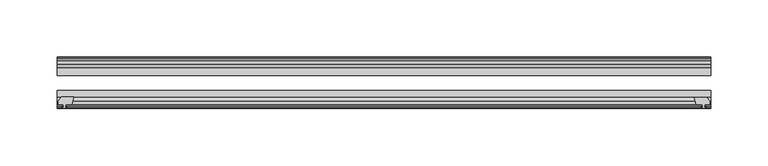
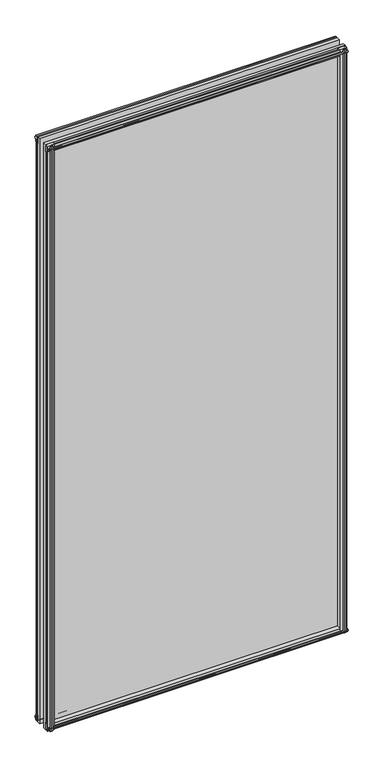
"""IFC4 building model written with IfcOpenShell, lengths in millimetres: plate geometry."""

import ifcopenshell
import ifcopenshell.guid

model = None  # the IFC model being written
_history = None  # IfcOwnerHistory: only IFC2X3 demands one
_inside = {}  # id of a spatial element -> (the spatial element, [elements in it])
_under = {}  # id of a project, library or spatial element -> (it, [spatial elements below it])
_declared = {}  # id of a project -> (the project, [libraries it declares])
_typed = {}  # id of a type object -> (the type object, [elements of that type])
_made_of = {}  # id of a material, layer set ... -> (it, [elements and type objects made of it])


def new_model(schema):
    """Start an empty IFC model of exactly this schema.

    Asked for "IFC4X3", IfcOpenShell would pick the latest addendum, in which some entities
    have other attributes; the version numbers below select the first issue.
    IFC2X3 requires an IfcOwnerHistory on every rooted entity: one is made here for all.
    """
    global model, _history
    if schema == "IFC4X3":
        model = ifcopenshell.file(schema_version=(4, 3, 0, 0))
    else:
        model = ifcopenshell.file(schema=schema)
    _inside.clear()
    _under.clear()
    _declared.clear()
    _typed.clear()
    _made_of.clear()
    _history = None
    if model.schema == "IFC2X3":
        org = make("IfcOrganization", Name="unknown")
        user = make(
            "IfcPersonAndOrganization",
            ThePerson=make("IfcPerson", FamilyName="unknown"),
            TheOrganization=org,
        )
        app = make(
            "IfcApplication",
            ApplicationDeveloper=org,
            Version="unknown",
            ApplicationFullName="unknown",
            ApplicationIdentifier="unknown",
        )
        _history = make(
            "IfcOwnerHistory",
            OwningUser=user,
            OwningApplication=app,
            ChangeAction="ADDED",
            CreationDate=0,
        )
    return model


def make(cls, **values):
    """One entity of the class cls with the attributes given. An attribute that is None is left unset."""
    return model.create_entity(
        cls, **{name: value for name, value in values.items() if value is not None}
    )


def rooted(cls, **values):
    """An entity with a GlobalId (a new one), such as an element, a storey or a relation."""
    return make(cls, GlobalId=ifcopenshell.guid.new(), OwnerHistory=_history, **values)


def si_unit(unit_type, name, prefix=None):
    """IfcSIUnit, for example si_unit("LENGTHUNIT", "METRE", prefix="MILLI")."""
    return make("IfcSIUnit", UnitType=unit_type, Prefix=prefix, Name=name)


def assignment(units):
    """IfcUnitAssignment: the units of a project."""
    return None if units is None else make("IfcUnitAssignment", Units=units)


def point(xyz):
    """IfcCartesianPoint."""
    return None if xyz is None else make("IfcCartesianPoint", Coordinates=xyz)


def direction(xyz):
    """IfcDirection."""
    return None if xyz is None else make("IfcDirection", DirectionRatios=xyz)


def frame(location, z_axis=None, x_axis=None):
    """IfcAxis2Placement3D, a coordinate frame: its origin and axes. An axis left out is left unset."""
    return make(
        "IfcAxis2Placement3D",
        Location=point(location),
        Axis=direction(z_axis),
        RefDirection=direction(x_axis),
    )


def origin():
    """The frame at (0, 0, 0) with its axes left unset."""
    return frame((0.0, 0.0, 0.0))


def place(relative_to, where):
    """IfcLocalPlacement: puts the frame where relative to a parent placement (None: the world)."""
    return make(
        "IfcLocalPlacement", PlacementRelTo=relative_to, RelativePlacement=where
    )


def context(
    kind, dimensions, precision=None, world=None, true_north=None, identifier=None
):
    """IfcGeometricRepresentationContext, for example the 3D "Model" context."""
    return make(
        "IfcGeometricRepresentationContext",
        ContextIdentifier=identifier,
        ContextType=kind,
        CoordinateSpaceDimension=dimensions,
        Precision=precision,
        WorldCoordinateSystem=world,
        TrueNorth=true_north,
    )


def project(units=None, contexts=None):
    """IfcProject with its units and contexts."""
    return rooted(
        "IfcProject",
        Name="project",
        RepresentationContexts=contexts,
        UnitsInContext=assignment(units),
    )


def spatial(cls, under=None, at=None, **own):
    """A site, building, storey or space (cls), placed at a placement, below another one or the project."""
    s = rooted(cls, ObjectPlacement=at, **own)
    if under is not None:
        _under.setdefault(under.id(), (under, []))[1].append(s)
    return s


def polyline(points):
    """IfcPolyline through the points."""
    return make("IfcPolyline", Points=[point(p) for p in points])


def outline(outer, holes=None, kind="AREA"):
    """IfcArbitraryClosedProfileDef: a profile drawn as a closed curve; with holes, ...WithVoids."""
    if holes is None:
        return make("IfcArbitraryClosedProfileDef", ProfileType=kind, OuterCurve=outer)
    return make(
        "IfcArbitraryProfileDefWithVoids",
        ProfileType=kind,
        OuterCurve=outer,
        InnerCurves=holes,
    )


def extrude(swept, where, along, depth):
    """IfcExtrudedAreaSolid: the profile swept, set in the frame where, extruded along a direction by depth."""
    return make(
        "IfcExtrudedAreaSolid",
        SweptArea=swept,
        Position=where,
        ExtrudedDirection=direction(along),
        Depth=depth,
    )


def shape(context_of_items, identifier, shape_type, items):
    """IfcShapeRepresentation: the items that make up one representation, for example the "Body"."""
    return make(
        "IfcShapeRepresentation",
        ContextOfItems=context_of_items,
        RepresentationIdentifier=identifier,
        RepresentationType=shape_type,
        Items=items,
    )


def source(mapping_origin, context_of_items, identifier, shape_type, items):
    """IfcRepresentationMap: a shape defined once, which mapped items show again and again."""
    return make(
        "IfcRepresentationMap",
        MappingOrigin=mapping_origin,
        MappedRepresentation=shape(context_of_items, identifier, shape_type, items),
    )


def transform(
    local_origin,
    x_axis=None,
    y_axis=None,
    z_axis=None,
    scale=None,
    scale2=None,
    scale3=None,
    uniform=True,
):
    """IfcCartesianTransformationOperator3D, or its non-uniform kind. x_axis, y_axis, z_axis: its Axis1, 2, 3."""
    if uniform:
        return make(
            "IfcCartesianTransformationOperator3D",
            Axis1=direction(x_axis),
            Axis2=direction(y_axis),
            LocalOrigin=point(local_origin),
            Scale=scale,
            Axis3=direction(z_axis),
        )
    return make(
        "IfcCartesianTransformationOperator3DnonUniform",
        Axis1=direction(x_axis),
        Axis2=direction(y_axis),
        LocalOrigin=point(local_origin),
        Scale=scale,
        Axis3=direction(z_axis),
        Scale2=scale2,
        Scale3=scale3,
    )


def mapped(mapping_source, mapping_target):
    """IfcMappedItem: shows the shape of a source again, moved by a transform."""
    return make(
        "IfcMappedItem", MappingSource=mapping_source, MappingTarget=mapping_target
    )


def made_of(thing, what):
    """Note that an element or type object is made of a material, layer set ...; save() writes the relation."""
    if what is not None:
        _made_of.setdefault(what.id(), (what, []))[1].append(thing)
    return thing


def element(
    cls,
    number,
    at=None,
    inside=None,
    cuts=None,
    type_object=None,
    material=None,
    context=None,
    identifier="Body",
    shape_type=None,
    held_by="IfcProductDefinitionShape",
    body=None,
    shapes=None,
    **own,
):
    """One element of the class cls, such as IfcWall. Its Tag is "e" and its number.

    at: its placement. inside: the storey or other place that contains it. cuts: it is an
    opening in that element (IfcRelVoidsElement). A single representation is given by context,
    identifier, shape_type and body (its items); several are given by shapes. held_by: the class
    of the entity that holds the representations. save() writes the other relations.
    """
    e = rooted(cls, Tag="e%d" % number, ObjectPlacement=at, **own)
    if body is not None:
        shapes = [shape(context, identifier, shape_type, body)]
    if shapes is not None:
        e.Representation = make(held_by, Representations=shapes)
    if inside is not None:
        _inside.setdefault(inside.id(), (inside, []))[1].append(e)
    if cuts is not None:
        rooted(
            "IfcRelVoidsElement", RelatingBuildingElement=cuts, RelatedOpeningElement=e
        )
    if type_object is not None:
        _typed.setdefault(type_object.id(), (type_object, []))[1].append(e)
    return made_of(e, material)


def aggregate(whole, parts):
    """IfcRelAggregates: a whole, such as a stair, and the parts it consists of."""
    return rooted("IfcRelAggregates", RelatingObject=whole, RelatedObjects=parts)


def save(model, path):
    """Write the relations noted so far, then the file.

    IfcRelAggregates (storeys below a building ...), IfcRelContainedInSpatialStructure (elements
    in a storey), IfcRelDefinesByType, IfcRelAssociatesMaterial and IfcRelDeclares: one each for
    every whole, place, type object, material and project.
    """
    for whole, parts in _under.values():
        aggregate(whole, parts)
    for where, things in _inside.values():
        rooted(
            "IfcRelContainedInSpatialStructure",
            RelatedElements=things,
            RelatingStructure=where,
        )
    for kind, things in _typed.values():
        rooted("IfcRelDefinesByType", RelatedObjects=things, RelatingType=kind)
    for what, things in _made_of.values():
        rooted("IfcRelAssociatesMaterial", RelatedObjects=things, RelatingMaterial=what)
    for by, libraries in _declared.values():
        rooted("IfcRelDeclares", RelatingContext=by, RelatedDefinitions=libraries)
    model.write(path)


def plate_4b965566(model_context):
    return source(origin(), model_context, "Body", "SweptSolid", [
        extrude(outline(polyline([(-271.3322821, -83.2445312), (-273.0500002, -89.5945312), (-278.2570002, -89.5945312), (-278.6380002, -91.9747282), (-277.2224711, -91.514795), (-277.2224711, -92.3160092), (-279.4000002, -93.0235312), (-281.5775292, -92.3160092), (-281.5775292, -91.514795), (-280.1620002, -91.9747282), (-280.5430002, -89.5945312), (-284.9880002, -89.5945312), (-284.9880002, -86.6481312), (-282.153658, -83.2445312), (-271.3322821, -83.2445312)])), frame((0.0, 0.0, -12.4587), z_axis=(0.0, 0.0, 1.0), x_axis=(1.0, 0.0, 0.0)), (0.0, 0.0, 1.0), 1180.6173999),
        extrude(outline(polyline([(271.3538928, -83.3244209), (282.1752687, -83.3244209), (285.0096108, -86.7280209), (285.0096108, -89.6744209), (280.5646108, -89.6744209), (280.1836108, -92.0546178), (281.5991399, -91.5946846), (281.5991399, -92.3958988), (279.4216108, -93.1034209), (277.2440818, -92.3958988), (277.2440818, -91.5946846), (278.6596108, -92.0546178), (278.2786108, -89.6744209), (273.0716108, -89.6744209), (271.3538928, -83.3244209)])), frame((0.0, 0.0, -9.0482291), z_axis=(0.0, 0.0, 1.0), x_axis=(1.0, 0.0, 0.0)), (0.0, 0.0, 1.0), 1177.206929),
        extrude(outline(polyline([(-280.6827002, -49.1143343), (-282.0982292, -49.5742675), (-282.0982292, -48.7730533), (-279.9207002, -48.0655313), (-277.7431711, -48.7730533), (-277.7431711, -49.5742675), (-279.1587002, -49.1143343), (-278.7777002, -51.4945313), (-273.5707002, -51.4945313), (-271.8529821, -57.8445313), (-282.674358, -57.8445313), (-285.5087002, -54.4409313), (-285.5087002, -51.4945313), (-281.0637002, -51.4945313), (-280.6827002, -49.1143343)])), frame((0.0, 0.0, -12.4587), z_axis=(0.0, 0.0, 1.0), x_axis=(1.0, 0.0, 0.0)), (0.0, 0.0, 1.0), 1174.2673999),
        extrude(outline(polyline([(271.8529821, -57.8445313), (273.5707002, -51.4945313), (278.7777002, -51.4945313), (279.1587002, -49.1143343), (277.7431711, -49.5742675), (277.7431711, -48.7730533), (279.9207002, -48.0655313), (282.0982292, -48.7730533), (282.0982292, -49.5742675), (280.6827002, -49.1143343), (281.0637002, -51.4945313), (285.5087002, -51.4945313), (285.5087002, -54.4409313), (282.674358, -57.8445313), (271.8529821, -57.8445313)])), frame((0.0, 0.0, -12.4587), z_axis=(0.0, 0.0, 1.0), x_axis=(1.0, 0.0, 0.0)), (0.0, 0.0, 1.0), 1174.2673999),
        extrude(outline(polyline([(-48.7730533, -4.6931709), (-48.0655312, -6.8707), (-48.7730533, -9.0482291), (-49.5742675, -9.0482291), (-49.1143343, -7.6327), (-51.4945312, -8.0137), (-51.4945312, -12.4587), (-54.4409312, -12.4587), (-57.8445312, -9.6243578), (-57.8445312, 1.1970181), (-51.4945312, -0.5207), (-51.4945312, -5.7277), (-49.1143343, -6.1087), (-49.5742675, -4.6931709), (-48.7730533, -4.6931709)])), frame((-285.7500002, 0.0, 0.0), z_axis=(1.0, 0.0, 0.0), x_axis=(0.0, 1.0, 0.0)), (0.0, 0.0, 1.0), 571.5000003),
        extrude(outline(polyline([(-83.2445312, 1.7177181), (-83.2445312, -9.1036578), (-86.6481312, -11.938), (-89.5945312, -11.938), (-89.5945312, -7.493), (-91.9747282, -7.112), (-91.514795, -8.5275291), (-92.3160092, -8.5275291), (-93.0235312, -6.35), (-92.3160092, -4.1724709), (-91.514795, -4.1724709), (-91.9747282, -5.588), (-89.5945312, -5.207), (-89.5945312, 0.0), (-83.2445312, 1.7177181)])), frame((-285.7500002, 0.0, 0.0), z_axis=(1.0, 0.0, 0.0), x_axis=(0.0, 1.0, 0.0)), (0.0, 0.0, 1.0), 571.5000003),
        extrude(outline(polyline([(-49.1143343, 1163.3326999), (-49.5742675, 1164.748229), (-48.7730533, 1164.748229), (-48.0655312, 1162.5706999), (-48.7730533, 1160.3931709), (-49.5742675, 1160.3931709), (-49.1143343, 1161.8086999), (-51.4945312, 1161.4276999), (-51.4945312, 1156.2206999), (-57.8445313, 1154.5029819), (-57.8445313, 1165.3243578), (-54.4409312, 1168.1586999), (-51.4945312, 1168.1586999), (-51.4945312, 1163.7136999), (-49.1143343, 1163.3326999)])), frame((-285.7500002, 0.0, 0.0), z_axis=(1.0, 0.0, 0.0), x_axis=(0.0, 1.0, 0.0)), (0.0, 0.0, 1.0), 571.5000003),
        extrude(outline(polyline([(-89.5945312, 1167.6379999), (-86.6481312, 1167.6379999), (-83.2445313, 1164.8036578), (-83.2445313, 1153.9822819), (-89.5945312, 1155.6999999), (-89.5945312, 1160.9069999), (-91.9747282, 1161.2879999), (-91.514795, 1159.8724709), (-92.3160092, 1159.8724709), (-93.0235312, 1162.0499999), (-92.3160092, 1164.227529), (-91.514795, 1164.227529), (-91.9747282, 1162.8119999), (-89.5945312, 1163.1929999), (-89.5945312, 1167.6379999)])), frame((-285.7500002, 0.0, 0.0), z_axis=(1.0, 0.0, 0.0), x_axis=(0.0, 1.0, 0.0)), (0.0, 0.0, 1.0), 571.5000003),
        extrude(outline(polyline([(-285.7500002, -57.8445312), (285.7500002, -57.8445312), (285.7500002, -64.1945313), (-285.7500002, -64.1945313), (-285.7500002, -57.8445312)])), frame((0.0, 0.0, -12.7), z_axis=(0.0, 0.0, 1.0), x_axis=(1.0, 0.0, 0.0)), (0.0, 0.0, 1.0), 1181.0999999),
        extrude(outline(polyline([(-285.7500002, -77.2171112), (285.7500002, -77.2171112), (285.7500002, -83.2445312), (-285.7500002, -83.2445312), (-285.7500002, -77.2171112)])), frame((0.0, 0.0, -12.7), z_axis=(0.0, 0.0, 1.0), x_axis=(1.0, 0.0, 0.0)), (0.0, 0.0, 1.0), 1181.0999999),
    ])


if __name__ == "__main__":
    model = new_model("IFC4")
    model_context = context("Model", 3, world=origin())
    ifc_project = project(units=[si_unit("LENGTHUNIT", "METRE", prefix="MILLI")], contexts=[model_context])
    site = spatial("IfcSite", under=ifc_project)
    building = spatial("IfcBuilding", under=site)
    placement = place(None, origin())
    plate_shape = plate_4b965566(model_context)
    element("IfcPlate", 1, at=placement, inside=building, context=model_context, shape_type="MappedRepresentation", body=[
        mapped(plate_shape, transform((0.0, 0.0, 0.0), x_axis=(1.0, 0.0, 0.0), y_axis=(0.0, 1.0, 0.0), z_axis=(0.0, 0.0, 1.0))),
    ])
    save(model, "model.ifc")
